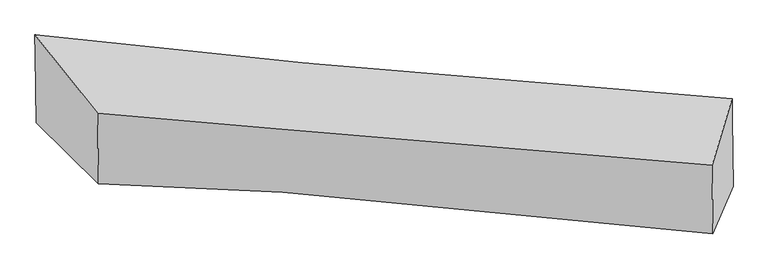
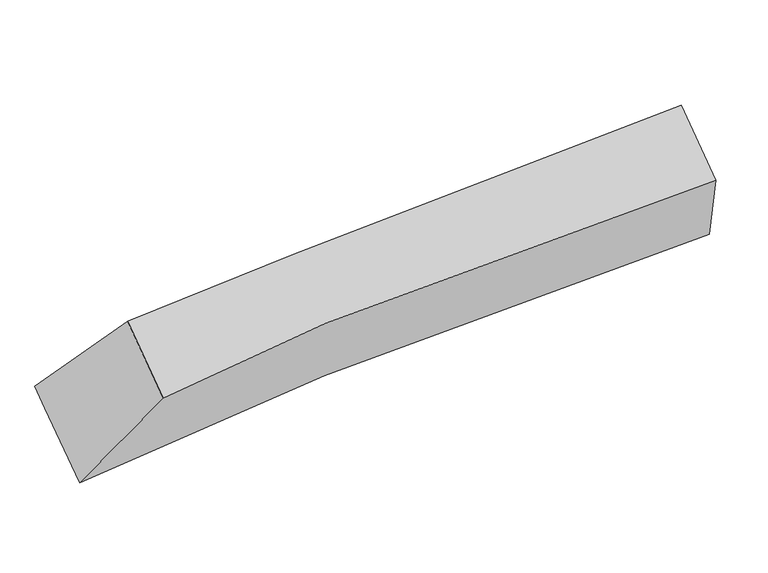
"""IFC4 building model written with IfcOpenShell, lengths in millimetres: proxy geometry."""

from ifc_helpers import new_model, si_unit, frame, origin, place, context, project, spatial, source, transform, mapped, element, save
from ifc_brep_helpers import plane_surface, spline_curve, spline_surface, advanced_brep


def generic_models_011ce9a4(model_context):
    return source(origin(), model_context, "Body", "AdvancedBrep", [
        advanced_brep(
        [(-1156.5911325, -2319.8731288, 3026.1449993), (-1533.6684044, -1953.7283367, 2307.7054661), (2676.1681023, -2334.5705627, 2912.4926607), (2554.1629179, -2622.4767657, 3533.0504787), (-1538.8137888, -1542.0625502, 2616.3020683), (2671.0906101, -1928.3366095, 3217.0174032), (-1540.3138532, -1422.0471805, 2706.269067), (2669.5905457, -1808.3212399, 3306.9844019), (-1161.89471, -1895.5508189, 3344.2292981), (2549.0160608, -2210.6931453, 3841.7354125)],
        [
            (0, 1),
            (1, 2, spline_curve(3, [(-1533.6684044, -1953.7283367, 2307.7054661), (-960.503576834, -1997.616398788, 2424.764673103), (-412.391505878, -2042.094242321, 2525.772410002), (1045.932820061, -2167.745793287, 2762.636158808), (1901.099584701, -2250.215358368, 2863.224153553), (2676.1681023, -2334.5705627, 2912.4926607)], [4, 2, 4], [0.0, 4.726478957952147, 13.17773921547648])),
            (2, 3),
            (3, 0, spline_curve(3, [(2554.1629179, -2622.4767657, 3533.0504787), (1558.551655526, -2504.790444476, 3441.302135558), (692.707089678, -2421.092529456, 3338.897494024), (-455.032053443, -2343.582321473, 3162.605729987), (-826.105504325, -2326.412357541, 3096.04187828), (-1156.5911325, -2319.8731288, 3026.1449993)], [4, 2, 4], [0.0, 8.451260257524332, 13.17773921547648])),
            (1, 4),
            (4, 5, spline_curve(3, [(-1538.8137888, -1542.0625502, 2616.3020683), (-965.403485271, -1605.590362921, 2718.6387492), (-417.131072081, -1662.896665469, 2810.029901413), (1041.402939354, -1805.32448143, 3034.317675768), (1896.431992518, -1876.776198532, 3143.164968838), (2671.0906101, -1928.3366095, 3217.0174032)], [4, 2, 4], [0.0, 5.026889116102337, 14.015302813453113])),
            (5, 2),
            (4, 6),
            (6, 7, spline_curve(3, [(-1540.3138532, -1422.0471805, 2706.269067), (-966.903549658, -1485.574993161, 2808.605747971), (-418.631136622, -1542.881295766, 2899.996900114), (1039.902874927, -1685.309111735, 3124.284674467), (1894.931928244, -1756.760828962, 3233.1319675), (2669.5905457, -1808.3212399, 3306.9844019)], [4, 2, 4], [0.0, 5.026245942540162, 14.013509602577102])),
            (7, 5),
            (6, 8),
            (8, 9, spline_curve(3, [(-1161.89471, -1895.5508189, 3344.2292981), (-831.123376413, -1924.948425769, 3396.990874537), (-459.859973846, -1957.31580077, 3452.16230656), (688.14179793, -2055.838118589, 3612.702784223), (1553.848652536, -2128.518185563, 3723.366723832), (2549.0160608, -2210.6931453, 3841.7354125)], [4, 2, 4], [0.0, 4.723832785496077, 13.170361509819587])),
            (9, 7),
            (8, 0),
            (3, 9),
        ],
        [
            spline_surface(3, 3, [[(-1156.5911325, -2319.8731288, 3026.1449993), (-826.105504284, -2326.41235748, 3096.041878298), (-455.032053386, -2343.582321476, 3162.605729964), (692.707089576, -2421.092529451, 3338.897494064), (1558.55165544, -2504.790444414, 3441.302135554), (2554.1629179, -2622.4767657, 3533.0504787)], [(-1282.283556463, -2197.824864774, 2786.665154911), (-870.904861821, -2216.8137046, 2872.282809909), (-440.818537551, -2243.086295118, 2950.32795661), (810.4489998, -2336.643617367, 3146.81038233), (1672.73429855, -2419.932082379, 3248.609474919), (2594.831312712, -2526.508031387, 3326.197872714)], [(-1407.975980437, -2075.776600726, 2547.185310489), (-915.704219369, -2107.215051698, 2648.523741485), (-426.605021781, -2142.590268739, 2738.050183301), (928.190909958, -2252.194705262, 2954.72327064), (1786.916941622, -2335.073720284, 3055.916814241), (2635.499707488, -2430.539297013, 3119.345266686)], [(-1533.6684044, -1953.7283367, 2307.7054661), (-960.503576907, -1997.616398818, 2424.764673096), (-412.391505946, -2042.094242381, 2525.772409947), (1045.932820181, -2167.745793179, 2762.636158906), (1901.099584731, -2250.21535825, 2863.224153606), (2676.1681023, -2334.5705627, 2912.4926607)]], [4, 4], [4, 2, 4], [0.0, 2.3003988456098905], [0.0, 4.726478957952147, 13.17773921547648]),
            spline_surface(3, 3, [[(-1533.6684044, -1953.7283367, 2307.7054661), (-960.503576907, -1997.616398818, 2424.764673096), (-412.391505946, -2042.094242381, 2525.772409947), (1045.932820181, -2167.745793179, 2762.636158906), (1901.099584731, -2250.21535825, 2863.224153606), (2676.1681023, -2334.5705627, 2912.4926607)], [(-1535.383532512, -1816.50640786, 2410.571000158), (-962.13687969, -1866.941053494, 2522.722698454), (-413.971361366, -1915.695050061, 2620.524907106), (1044.422859916, -2046.938689211, 2853.196664598), (1899.543720673, -2125.735638313, 2956.537758646), (2674.475604901, -2199.159244966, 3014.000908208)], [(-1537.098660688, -1679.28447904, 2513.436534242), (-963.770182538, -1736.265708191, 2620.680723837), (-415.551216717, -1789.295857828, 2715.277404182), (1042.912899719, -1926.13158533, 2943.757170206), (1897.987856614, -2001.255918378, 3049.851363663), (2672.783107499, -2063.747927234, 3115.509155692)], [(-1538.8137888, -1542.0625502, 2616.3020683), (-965.403485321, -1605.590362867, 2718.638749195), (-417.131072137, -1662.896665508, 2810.029901341), (1041.402939454, -1805.324481361, 3034.317675898), (1896.431992556, -1876.776198442, 3143.164968704), (2671.0906101, -1928.3366095, 3217.0174032)]], [4, 4], [4, 2, 4], [0.0, 1.5140782439621436], [0.0, 5.026889116102337, 14.015302813453113]),
            spline_surface(3, 3, [[(-1538.8137888, -1542.0625502, 2616.3020683), (-965.403485321, -1605.590362867, 2718.638749195), (-417.131072137, -1662.896665508, 2810.029901341), (1041.402939454, -1805.324481361, 3034.317675898), (1896.431992556, -1876.776198442, 3143.164968704), (2671.0906101, -1928.3366095, 3217.0174032)], [(-1539.313810276, -1502.057426985, 2646.291067867), (-965.903506797, -1565.585239651, 2748.627748762), (-417.631093613, -1622.891542292, 2840.018900908), (1040.902917977, -1765.319358146, 3064.306675465), (1895.93197108, -1836.771075226, 3173.153968271), (2670.590588624, -1888.331486285, 3247.006402767)], [(-1539.813831724, -1462.052303715, 2676.280067433), (-966.403528244, -1525.580116382, 2778.616748327), (-418.131115161, -1582.886419023, 2870.007900474), (1040.40289643, -1725.314234877, 3094.295675031), (1895.431949632, -1796.765952057, 3203.142967836), (2670.090567176, -1848.326363115, 3276.995402333)], [(-1540.3138532, -1422.0471805, 2706.269067), (-966.903549721, -1485.574993167, 2808.605747895), (-418.631136637, -1542.881295808, 2899.996900041), (1039.902874954, -1685.309111661, 3124.284674598), (1894.931928156, -1756.760828842, 3233.131967403), (2669.5905457, -1808.3212399, 3306.9844019)]], [4, 4], [4, 2, 4], [0.0, 0.49212598425195714], [0.0, 5.026245942540162, 14.013509602577102]),
            spline_surface(3, 3, [[(-1540.3138532, -1422.0471805, 2706.269067), (-966.903549721, -1485.574993167, 2808.605747895), (-418.631136637, -1542.881295808, 2899.996900041), (1039.902874954, -1685.309111661, 3124.284674598), (1894.931928156, -1756.760828842, 3233.131967403), (2669.5905457, -1808.3212399, 3306.9844019)], [(-1414.174138786, -1579.881726624, 2918.922477369), (-921.643491926, -1632.032804002, 3004.734123435), (-432.374082421, -1681.026130811, 3084.052035506), (922.649182632, -1808.818780599, 3287.090711153), (1781.237502948, -1880.679947731, 3396.54355286), (2629.399050719, -1942.445208384, 3485.23473875)], [(-1288.034424414, -1737.716272776, 3131.575887731), (-876.383434173, -1778.490614864, 3200.862498967), (-446.117028134, -1819.170965824, 3268.107171036), (805.395490381, -1932.328449547, 3449.896747773), (1667.543077783, -2004.599066568, 3559.955138367), (2589.207555781, -2076.569176816, 3663.48507565)], [(-1161.89471, -1895.5508189, 3344.2292981), (-831.123376378, -1924.948425699, 3396.990874507), (-459.859973918, -1957.315800828, 3452.162306502), (688.141798059, -2055.838118485, 3612.702784328), (1553.848652576, -2128.518185458, 3723.366723824), (2549.0160608, -2210.6931453, 3841.7354125)]], [4, 4], [4, 2, 4], [0.0, 2.2508008604572125], [0.0, 4.723832785496077, 13.170361509819587]),
            spline_surface(3, 3, [[(-1161.89471, -1895.5508189, 3344.2292981), (-831.123376378, -1924.948425699, 3396.990874507), (-459.859973918, -1957.315800828, 3452.162306502), (688.141798059, -2055.838118485, 3612.702784328), (1553.848652576, -2128.518185458, 3723.366723824), (2549.0160608, -2210.6931453, 3841.7354125)], [(-1160.126850863, -2036.991588857, 3238.201198493), (-829.450752376, -2058.769736283, 3296.674542431), (-458.250667073, -2086.071307718, 3355.643447664), (689.663561899, -2177.589588814, 3521.434354248), (1555.416320208, -2253.942271755, 3629.345194394), (2550.731679844, -2347.954352079, 3738.840434561)], [(-1158.358991637, -2178.432358843, 3132.173098907), (-827.778128286, -2192.591046896, 3196.358210374), (-456.641360231, -2214.826814586, 3259.124588802), (691.185325736, -2299.341059121, 3430.165924144), (1556.983987808, -2379.366358116, 3535.323664983), (2552.447298856, -2485.215558921, 3635.945456639)], [(-1156.5911325, -2319.8731288, 3026.1449993), (-826.105504284, -2326.41235748, 3096.041878298), (-455.032053386, -2343.582321476, 3162.605729964), (692.707089576, -2421.092529451, 3338.897494064), (1558.55165544, -2504.790444414, 3441.302135554), (2554.1629179, -2622.4767657, 3533.0504787)]], [4, 4], [4, 2, 4], [0.0, 1.5310933617333358], [0.0, 4.422708503463613, 12.330806886732747]),
            plane_surface(frame((2612.2344067, -2244.0154284, 3398.5657384), z_axis=(0.9841032636782157, -0.0984859172658868, 0.14778799179291024), x_axis=(-0.17731541903392994, -0.5917233903700744, 0.7863985449260231))),
            plane_surface(frame((-1348.117025, -1897.7998662, 2846.0872076), z_axis=(-0.9027631376873954, -0.26516830317182893, 0.33868051054907483), x_axis=(-0.01000042952615929, 0.8001024643064374, 0.5997799913468759))),
        ],
        [
            (0, [[1, 2, 3, 4]]),
            (1, [[5, 6, 7, -2]]),
            (2, [[8, 9, 10, -6]]),
            (3, [[11, 12, 13, -9]]),
            (4, [[14, -4, 15, -12]]),
            (5, [[-13, -15, -3, -7, -10]]),
            (6, [[-14, -11, -8, -5, -1]]),
        ],
    ),
    ])


if __name__ == "__main__":
    model = new_model("IFC4")
    model_context = context("Model", 3, world=origin())
    ifc_project = project(units=[si_unit("LENGTHUNIT", "METRE", prefix="MILLI")], contexts=[model_context])
    site = spatial("IfcSite", under=ifc_project)
    building = spatial("IfcBuilding", under=site)
    placement = place(None, origin())
    generic_models_shape = generic_models_011ce9a4(model_context)
    element("IfcBuildingElementProxy", 1, Name="Generic Models", at=placement, inside=building, context=model_context, shape_type="MappedRepresentation", body=[
        mapped(generic_models_shape, transform((0.0, 0.0, 0.0), x_axis=(1.0, 0.0, 0.0), y_axis=(0.0, 1.0, 0.0), z_axis=(0.0, 0.0, 1.0))),
    ])
    save(model, "model.ifc")
